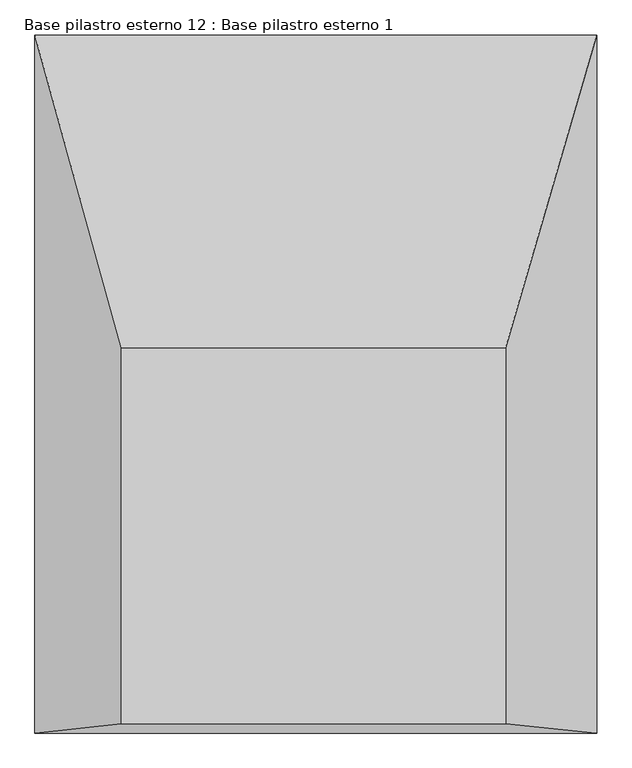
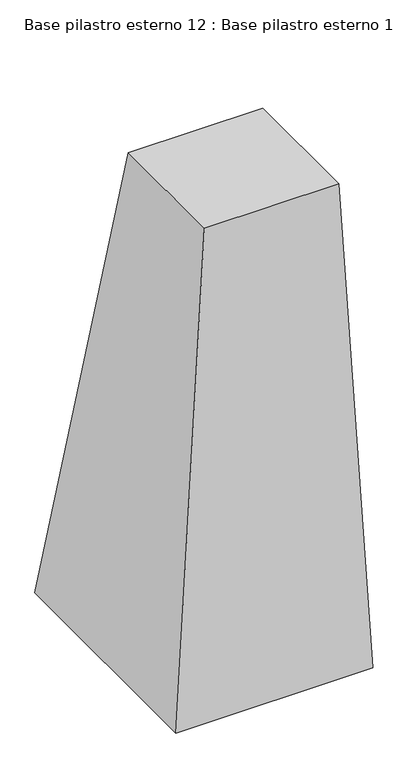
"""IFC4 building model written with IfcOpenShell, lengths in millimetres: column geometry, Base pilastro esterno 12 : Base pilastro esterno 1."""

from ifc_helpers import new_model, si_unit, origin, place, context, project, spatial, faceted_brep, source, transform, mapped, element, save


def base_pilastro_esterno_12_base_pilastro_esterno_1_b50d6f15(model_context):
    return source(origin(), model_context, "Body", "Brep", [
        faceted_brep([(94913.0860443, 123725.338663, 110.4186824), (95516.0812501, 123725.338663, 110.4186824), (95516.0812501, 124315.5945334, 110.4186824), (94913.0860443, 124315.5945334, 110.4186824), (94777.1998008, 123710.8677666, -2226.4963086), (94777.1998008, 124806.47127, -2226.4963086), (95659.0484409, 124806.47127, -2226.4963086), (95659.0484409, 123710.8677666, -2226.4963086)], [[[0, 1, 2, 3]], [[4, 5, 6, 7]], [[4, 7, 1, 0]], [[7, 6, 2, 1]], [[6, 5, 3, 2]], [[5, 4, 0, 3]]]),
    ])


if __name__ == "__main__":
    model = new_model("IFC4")
    model_context = context("Model", 3, world=origin())
    ifc_project = project(units=[si_unit("LENGTHUNIT", "METRE", prefix="MILLI")], contexts=[model_context])
    site = spatial("IfcSite", under=ifc_project)
    building = spatial("IfcBuilding", under=site)
    placement = place(None, origin())
    base_pilastro_esterno_12_base_pilastro_esterno_1_shape = base_pilastro_esterno_12_base_pilastro_esterno_1_b50d6f15(model_context)
    element("IfcColumn", 1, ObjectType="Base pilastro esterno 12 : Base pilastro esterno 1", at=placement, inside=building, context=model_context, shape_type="MappedRepresentation", body=[
        mapped(base_pilastro_esterno_12_base_pilastro_esterno_1_shape, transform((0.0, 0.0, 0.0), x_axis=(1.0, 0.0, 0.0), y_axis=(0.0, 1.0, 0.0), z_axis=(0.0, 0.0, 1.0))),
    ])
    save(model, "model.ifc")
